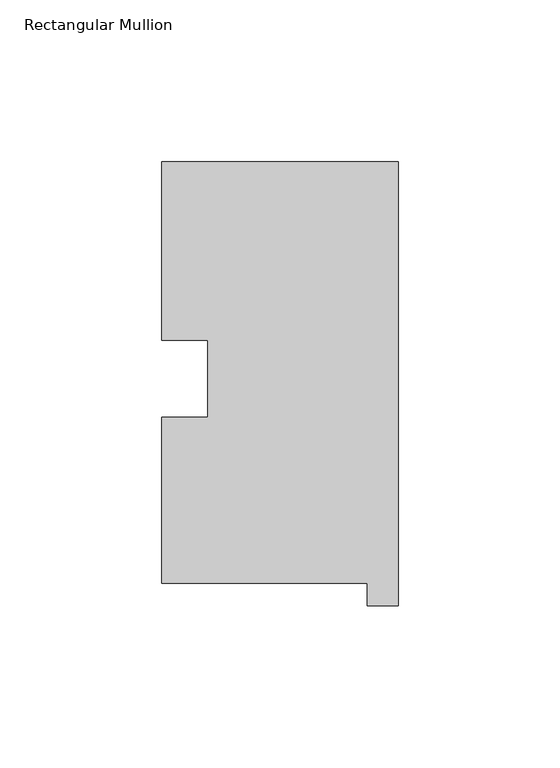
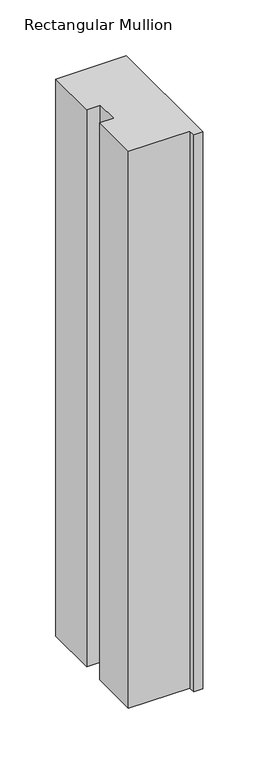
"""IFC4 building model written with IfcOpenShell, lengths in millimetres: member geometry, Rectangular Mullion."""

from ifc_helpers import new_model, si_unit, frame, origin, place, context, project, spatial, polyline, outline, extrude, source, transform, mapped, element, save


def rectangular_mullion_2d4ff0e5(model_context):
    return source(origin(), model_context, "Body", "SweptSolid", [
        extrude(outline(polyline([(-9.525, 0.26035), (-73.025, 0.26035), (-73.025, 51.60645), (-58.785125, 51.60645), (-58.785125, 75.40625), (-73.025, 75.40625), (-73.025, 130.56235), (0.0, 130.56235), (0.0, -6.64845), (-9.525, -6.64845), (-9.525, 0.26035)])), frame((0.0, 0.0, -609.6), z_axis=(0.0, 0.0, 1.0), x_axis=(1.0, 0.0, 0.0)), (0.0, 0.0, 1.0), 609.6),
    ])


if __name__ == "__main__":
    model = new_model("IFC4")
    model_context = context("Model", 3, world=origin())
    ifc_project = project(units=[si_unit("LENGTHUNIT", "METRE", prefix="MILLI")], contexts=[model_context])
    site = spatial("IfcSite", under=ifc_project)
    building = spatial("IfcBuilding", under=site)
    placement = place(None, origin())
    rectangular_mullion_shape = rectangular_mullion_2d4ff0e5(model_context)
    element("IfcMember", 1, ObjectType="Rectangular Mullion", at=placement, inside=building, context=model_context, shape_type="MappedRepresentation", body=[
        mapped(rectangular_mullion_shape, transform((0.0, 0.0, 0.0), x_axis=(1.0, 0.0, 0.0), y_axis=(0.0, 1.0, 0.0), z_axis=(0.0, 0.0, 1.0))),
    ])
    save(model, "model.ifc")
